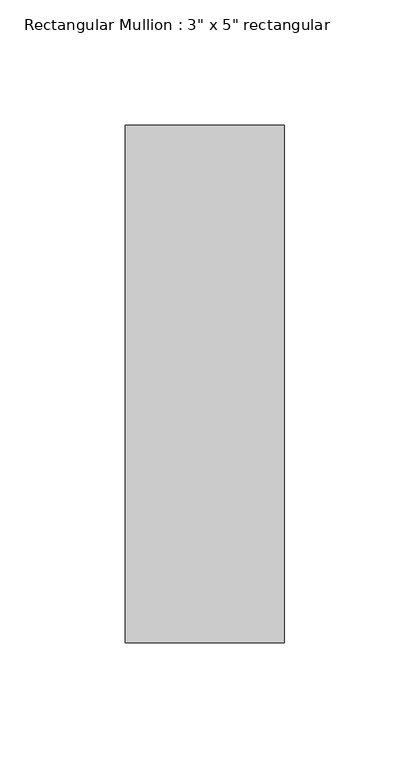
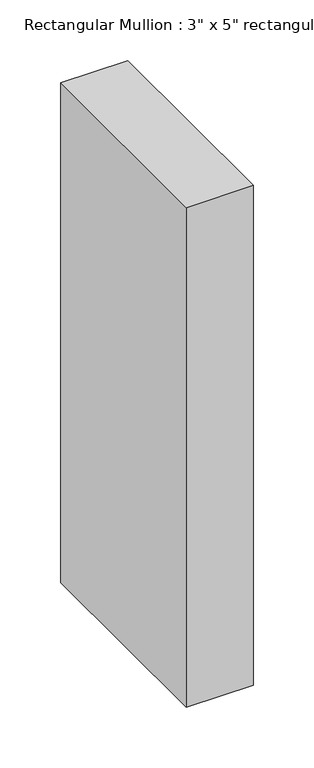
"""IFC4 building model written with IfcOpenShell, lengths in millimetres: member geometry."""

from ifc_helpers import new_model, si_unit, frame, origin, place, context, project, spatial, polyline, outline, extrude, source, transform, mapped, element, save


def member_4f401fc0(model_context):
    return source(origin(), model_context, "Body", "SweptSolid", [
        extrude(outline(polyline([(0.0, 90.551), (0.0, -115.951), (-63.5, -115.951), (-63.5, 90.551), (0.0, 90.551)])), frame((0.0, 0.0, -501.65), z_axis=(0.0, 0.0, 1.0), x_axis=(1.0, 0.0, 0.0)), (0.0, 0.0, 1.0), 501.65),
    ])


if __name__ == "__main__":
    model = new_model("IFC4")
    model_context = context("Model", 3, world=origin())
    ifc_project = project(units=[si_unit("LENGTHUNIT", "METRE", prefix="MILLI")], contexts=[model_context])
    site = spatial("IfcSite", under=ifc_project)
    building = spatial("IfcBuilding", under=site)
    placement = place(None, origin())
    member_shape = member_4f401fc0(model_context)
    element("IfcMember", 1, ObjectType="Rectangular Mullion : 3\" x 5\" rectangular", at=placement, inside=building, context=model_context, shape_type="MappedRepresentation", body=[
        mapped(member_shape, transform((0.0, 0.0, 0.0), x_axis=(1.0, 0.0, 0.0), y_axis=(0.0, 1.0, 0.0), z_axis=(0.0, 0.0, 1.0))),
    ])
    save(model, "model.ifc")
